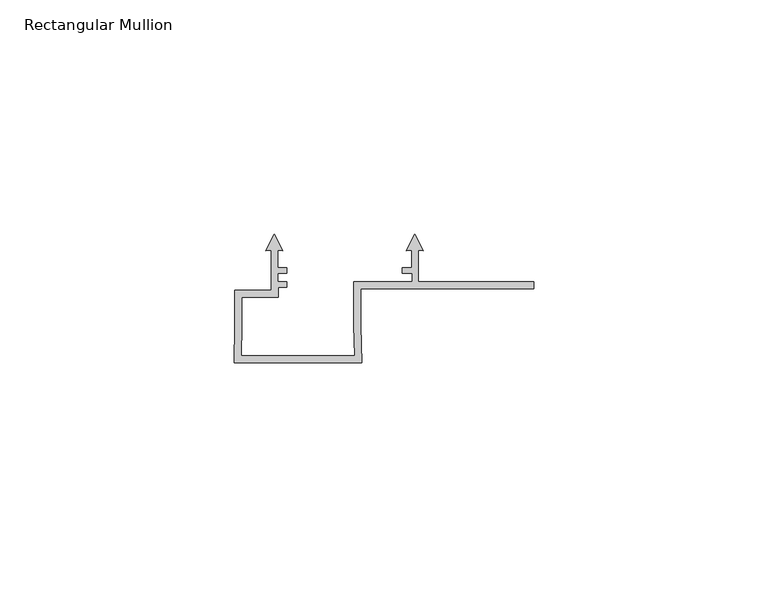
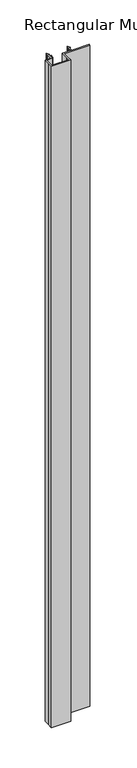
"""IFC4 building model written with IfcOpenShell, lengths in millimetres: member geometry, Rectangular Mullion."""

from ifc_helpers import new_model, si_unit, frame, origin, place, context, project, spatial, polyline, outline, extrude, source, transform, mapped, element, save


def rectangular_mullion_6141a364(model_context):
    return source(origin(), model_context, "Body", "SweptSolid", [
        extrude(outline(polyline([(0.0, -52.1000001), (0.1443272, -44.0977912), (0.1443272, -36.5995654), (7.9351461, -36.5995654), (7.9351461, -28.0038205), (6.8194096, -28.1014348), (8.6351462, -24.5378474), (10.4508827, -28.1014348), (9.3351463, -28.0038206), (9.3351463, -31.698351), (11.3227094, -31.698351), (11.3227094, -32.9004386), (9.344327, -32.9004386), (9.344327, -34.6999954), (11.3232242, -34.6999954), (11.3232242, -35.9015214), (9.4446143, -35.9015214), (9.4446143, -38.0997951), (1.6351472, -38.0997951), (1.6351135, -44.1153631), (1.5181226, -50.5999998), (25.7521689, -50.5999998), (25.6351455, -44.1117002), (25.6351455, -34.6999997), (38.0351451, -34.6999997), (38.0351451, -32.9008281), (35.942882, -32.9008281), (35.942882, -31.6999997), (37.9351461, -31.6999997), (37.9351461, -28.0038204), (36.8194083, -28.1014348), (38.635145, -24.5378474), (40.4508816, -28.1014348), (39.3351463, -28.0038207), (39.3351463, -34.7056679), (64.1, -34.7056679), (64.1, -36.2004291), (27.1353052, -36.2004291), (27.1352165, -44.1039069), (27.279476, -52.1000001), (0.0, -52.1000001)])), frame((0.0, 0.0, -1000.0), z_axis=(0.0, 0.0, 1.0), x_axis=(1.0, 0.0, 0.0)), (0.0, 0.0, 1.0), 1000.0),
    ])


if __name__ == "__main__":
    model = new_model("IFC4")
    model_context = context("Model", 3, world=origin())
    ifc_project = project(units=[si_unit("LENGTHUNIT", "METRE", prefix="MILLI")], contexts=[model_context])
    site = spatial("IfcSite", under=ifc_project)
    building = spatial("IfcBuilding", under=site)
    placement = place(None, origin())
    rectangular_mullion_shape = rectangular_mullion_6141a364(model_context)
    element("IfcMember", 1, ObjectType="Rectangular Mullion", at=placement, inside=building, context=model_context, shape_type="MappedRepresentation", body=[
        mapped(rectangular_mullion_shape, transform((0.0, 0.0, 0.0), x_axis=(1.0, 0.0, 0.0), y_axis=(0.0, 1.0, 0.0), z_axis=(0.0, 0.0, 1.0))),
    ])
    save(model, "model.ifc")
